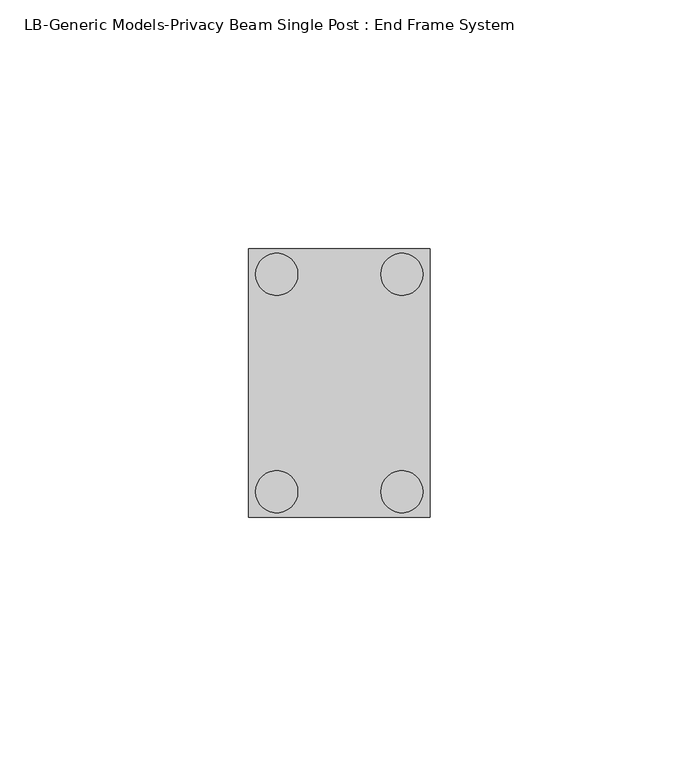
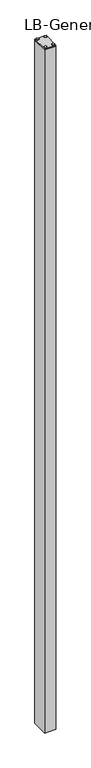
"""IFC4 building model written with IfcOpenShell, lengths in millimetres: proxy geometry, LB-Generic Models-Privacy Beam Single Post : End Frame System."""

from ifc_helpers import new_model, si_unit, point, frame, frame_2d, origin, origin_with_axes, place, context, project, spatial, polyline, circle_curve, trimmed, segment, composite_curve, outline, extrude, source, transform, mapped, element, save


def lb_generic_models_privacy_beam_single_post_end_frame_system_84cb6bef(model_context):
    return source(origin(), model_context, "Body", "SweptSolid", [
        extrude(outline(polyline([(-18.2565, 26.9875), (18.2565, 26.9875), (18.2565, -26.9875), (-18.2565, -26.9875), (-18.2565, 26.9875)])), frame((0.0, 0.0, 1739.9), z_axis=(0.0, 0.0, 1.0), x_axis=(1.0, 0.0, 0.0)), (0.0, 0.0, 1.0), 4.0792363),
        extrude(outline(polyline([(14.73225, 17.546), (14.73225, -17.546), (-14.73225, -17.546), (-14.73225, 17.546), (14.73225, 17.546)])), origin_with_axes(), (0.0, 0.0, 1.0), 1739.9),
        extrude(outline(polyline([(-18.2565, 26.9875), (18.2565, 26.9875), (18.2565, 13.4874), (15.081, 13.4874), (15.081, 23.8125), (-15.0815, 23.8125), (-15.0815, -23.8125), (15.081, -23.8125), (15.081, -13.4874), (18.2565, -13.4874), (18.2565, -26.9875), (-18.2565, -26.9875), (-18.2565, 26.9875)])), frame((0.0, 0.0, -579.9666667), z_axis=(0.0, 0.0, 1.0), x_axis=(1.0, 0.0, 0.0)), (0.0, 0.0, 1.0), 2319.8666667),
        extrude(outline(composite_curve([segment(trimmed(circle_curve(frame_2d((-12.586, 21.844)), 4.2243107), [point((-16.8103107, 21.844))], [point((-8.3616893, 21.844))], False, "CARTESIAN"), True, "CONTINUOUS"), segment(trimmed(circle_curve(frame_2d((-12.586, 21.844)), 4.2243107), [point((-8.3616893, 21.844))], [point((-16.8103107, 21.844))], False, "CARTESIAN"), True, "CONTINUOUS")], self_intersect=False)), frame((0.0, 0.0, 1743.9792363), z_axis=(0.0, 0.0, 1.0), x_axis=(1.0, 0.0, 0.0)), (0.0, 0.0, 1.0), 1.6499867),
        extrude(outline(composite_curve([segment(trimmed(circle_curve(frame_2d((12.586, 21.844)), 4.2243107), [point((8.3616893, 21.844))], [point((16.8103107, 21.844))], False, "CARTESIAN"), True, "CONTINUOUS"), segment(trimmed(circle_curve(frame_2d((12.586, 21.844)), 4.2243107), [point((16.8103107, 21.844))], [point((8.3616893, 21.844))], False, "CARTESIAN"), True, "CONTINUOUS")], self_intersect=False)), frame((0.0, 0.0, 1743.9792363), z_axis=(0.0, 0.0, 1.0), x_axis=(1.0, 0.0, 0.0)), (0.0, 0.0, 1.0), 1.6499867),
        extrude(outline(composite_curve([segment(trimmed(circle_curve(frame_2d((12.586, -21.844)), 4.2243107), [point((8.3616893, -21.844))], [point((16.8103107, -21.844))], False, "CARTESIAN"), True, "CONTINUOUS"), segment(trimmed(circle_curve(frame_2d((12.586, -21.844)), 4.2243107), [point((16.8103107, -21.844))], [point((8.3616893, -21.844))], False, "CARTESIAN"), True, "CONTINUOUS")], self_intersect=False)), frame((0.0, 0.0, 1743.9792363), z_axis=(0.0, 0.0, 1.0), x_axis=(1.0, 0.0, 0.0)), (0.0, 0.0, 1.0), 1.6499867),
        extrude(outline(composite_curve([segment(trimmed(circle_curve(frame_2d((-12.586, -21.844)), 4.2243107), [point((-16.8103107, -21.844))], [point((-8.3616893, -21.844))], False, "CARTESIAN"), True, "CONTINUOUS"), segment(trimmed(circle_curve(frame_2d((-12.586, -21.844)), 4.2243107), [point((-8.3616893, -21.844))], [point((-16.8103107, -21.844))], False, "CARTESIAN"), True, "CONTINUOUS")], self_intersect=False)), frame((0.0, 0.0, 1743.9792363), z_axis=(0.0, 0.0, 1.0), x_axis=(1.0, 0.0, 0.0)), (0.0, 0.0, 1.0), 1.6499867),
    ])


if __name__ == "__main__":
    model = new_model("IFC4")
    model_context = context("Model", 3, world=origin())
    ifc_project = project(units=[si_unit("LENGTHUNIT", "METRE", prefix="MILLI")], contexts=[model_context])
    site = spatial("IfcSite", under=ifc_project)
    building = spatial("IfcBuilding", under=site)
    placement = place(None, origin())
    lb_generic_models_privacy_beam_single_post_end_frame_system_shape = lb_generic_models_privacy_beam_single_post_end_frame_system_84cb6bef(model_context)
    element("IfcBuildingElementProxy", 1, Name="LB-Generic Models-Privacy Beam Single Post : End Frame System", ObjectType="LB-Generic Models-Privacy Beam Single Post : End Frame System", at=placement, inside=building, context=model_context, shape_type="MappedRepresentation", body=[
        mapped(lb_generic_models_privacy_beam_single_post_end_frame_system_shape, transform((0.0, 0.0, 0.0), x_axis=(1.0, 0.0, 0.0), y_axis=(0.0, 1.0, 0.0), z_axis=(0.0, 0.0, 1.0))),
    ])
    save(model, "model.ifc")
